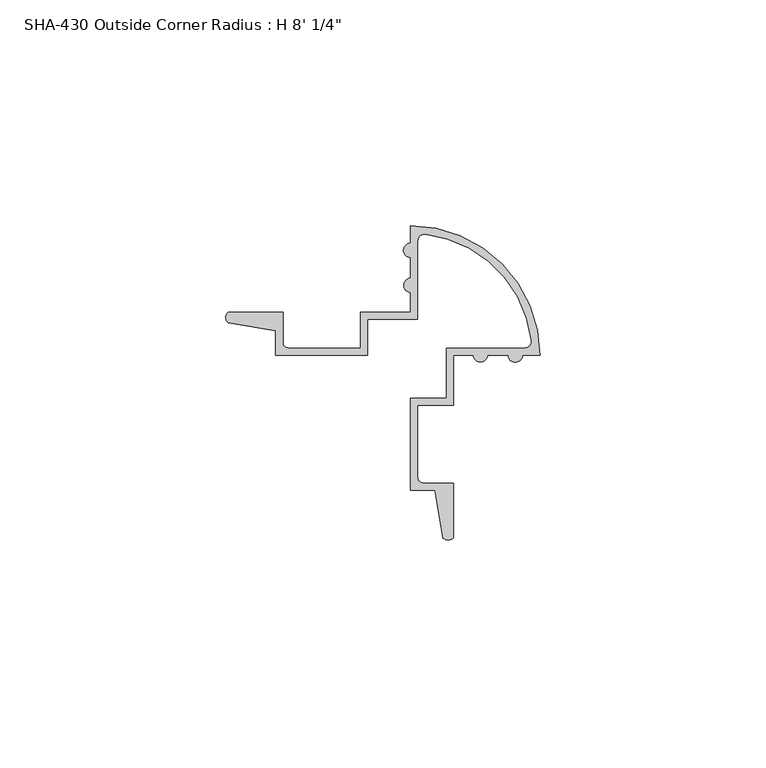
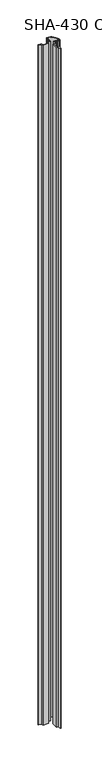
"""IFC4 building model written with IfcOpenShell, lengths in millimetres: proxy geometry."""

from ifc_helpers import new_model, si_unit, point, frame_2d, origin, origin_with_axes, place, context, project, spatial, polyline, circle_curve, trimmed, segment, composite_curve, outline, extrude, source, transform, mapped, element, save


def proxy_00e2c7f6(model_context):
    return source(origin(), model_context, "Body", "SweptSolid", [
        extrude(outline(composite_curve([segment(trimmed(circle_curve(frame_2d((-28.6874304, 18.9395545)), 1.617315), [point((-29.8450418, 17.8101106))], [point((-29.778914, 20.1330248))], False, "CARTESIAN"), True, "CONTINUOUS"), segment(polyline([(-29.778914, 20.1330248), (-17.6860681, 20.1330248), (-17.6860681, 13.4483789)]), True, "CONTINUOUS"), segment(trimmed(circle_curve(frame_2d((-16.4152229, 13.4483789)), 1.2708452), [point((-17.6860681, 13.4483789))], [point((-16.4152229, 12.1775337))], True, "CARTESIAN"), True, "CONTINUOUS"), segment(polyline([(-16.4152229, 12.1775337), (-0.5082223, 12.1775337), (-0.5082223, 20.1330248), (10.5989649, 20.1330248), (10.5989649, 24.4793155)]), True, "CONTINUOUS"), segment(trimmed(circle_curve(frame_2d((10.6900109, 26.0551635)), 1.578476), [point((10.5989649, 24.4793155))], [point((10.5989649, 27.6310116))], False, "CARTESIAN"), True, "CONTINUOUS"), segment(polyline([(10.5989649, 27.6310116), (10.5989649, 32.2187628)]), True, "CONTINUOUS"), segment(trimmed(circle_curve(frame_2d((10.5989649, 33.7946109)), 1.5758481), [point((10.5989649, 32.2187628))], [point((10.5989649, 35.370459))], False, "CARTESIAN"), True, "CONTINUOUS"), segment(polyline([(10.5989649, 35.370459), (10.5989649, 39.1957031)]), True, "CONTINUOUS"), segment(trimmed(circle_curve(frame_2d((10.5989649, 10.6016856)), 28.5940175), [point((10.5989649, 39.1957031))], [point((39.1929824, 10.6016856))], False, "CARTESIAN"), True, "CONTINUOUS"), segment(polyline([(39.1929824, 10.6016856), (35.3677382, 10.6016856)]), True, "CONTINUOUS"), segment(trimmed(circle_curve(frame_2d((33.7918902, 10.6016856)), 1.5758481), [point((35.3677382, 10.6016856))], [point((32.2160421, 10.6016856))], False, "CARTESIAN"), True, "CONTINUOUS"), segment(polyline([(32.2160421, 10.6016856), (27.6282909, 10.6016856)]), True, "CONTINUOUS"), segment(trimmed(circle_curve(frame_2d((26.0524428, 10.6927316)), 1.578476), [point((27.6282909, 10.6016856))], [point((24.4765947, 10.6016856))], False, "CARTESIAN"), True, "CONTINUOUS"), segment(polyline([(24.4765947, 10.6016856), (20.130304, 10.6016856), (20.130304, -0.5055016), (12.174813, -0.5055016), (12.174813, -16.4125022)]), True, "CONTINUOUS"), segment(trimmed(circle_curve(frame_2d((13.4456582, -16.4125022)), 1.2708452), [point((12.174813, -16.4125022))], [point((13.4456582, -17.6833474))], True, "CARTESIAN"), True, "CONTINUOUS"), segment(polyline([(13.4456582, -17.6833474), (20.130304, -17.6833474), (20.130304, -29.7761933)]), True, "CONTINUOUS"), segment(trimmed(circle_curve(frame_2d((18.9368338, -28.6847097)), 1.617315), [point((20.130304, -29.7761933))], [point((17.8073899, -29.8423211))], False, "CARTESIAN"), True, "CONTINUOUS"), segment(polyline([(17.8073899, -29.8423211), (15.9952108, -19.2591955), (10.5989649, -19.2591955), (10.5989649, 1.0703465), (18.554456, 1.0703465), (18.554456, 12.1775337), (35.8181158, 12.1775337)]), True, "CONTINUOUS"), segment(trimmed(circle_curve(frame_2d((35.8181158, 13.7660902)), 1.5885565), [point((35.8181158, 12.1775337))], [point((37.3943128, 13.9638655))], True, "CARTESIAN"), True, "CONTINUOUS"), segment(trimmed(circle_curve(frame_2d((10.5989649, 10.6016856)), 27.0054609), [point((37.3943128, 13.9638655))], [point((13.9611448, 37.3970335))], True, "CARTESIAN"), True, "CONTINUOUS"), segment(trimmed(circle_curve(frame_2d((13.7633695, 35.8208366)), 1.5885565), [point((13.9611448, 37.3970335))], [point((12.174813, 35.8208366))], True, "CARTESIAN"), True, "CONTINUOUS"), segment(polyline([(12.174813, 35.8208366), (12.174813, 18.5571767), (1.0676257, 18.5571767), (1.0676257, 10.6016856), (-19.2619162, 10.6016856), (-19.2619162, 15.9979316), (-29.8450418, 17.8101106)]), True, "CONTINUOUS")], self_intersect=False)), origin_with_axes(), (0.0, 0.0, 1.0), 2444.75),
    ])


if __name__ == "__main__":
    model = new_model("IFC4")
    model_context = context("Model", 3, world=origin())
    ifc_project = project(units=[si_unit("LENGTHUNIT", "METRE", prefix="MILLI")], contexts=[model_context])
    site = spatial("IfcSite", under=ifc_project)
    building = spatial("IfcBuilding", under=site)
    placement = place(None, origin())
    proxy_shape = proxy_00e2c7f6(model_context)
    element("IfcBuildingElementProxy", 1, Name="SHA-430 Outside Corner Radius : H 8' 1/4\"", ObjectType="SHA-430 Outside Corner Radius : H 8' 1/4\"", at=placement, inside=building, context=model_context, shape_type="MappedRepresentation", body=[
        mapped(proxy_shape, transform((0.0, 0.0, 0.0), x_axis=(1.0, 0.0, 0.0), y_axis=(0.0, 1.0, 0.0), z_axis=(0.0, 0.0, 1.0))),
    ])
    save(model, "model.ifc")
